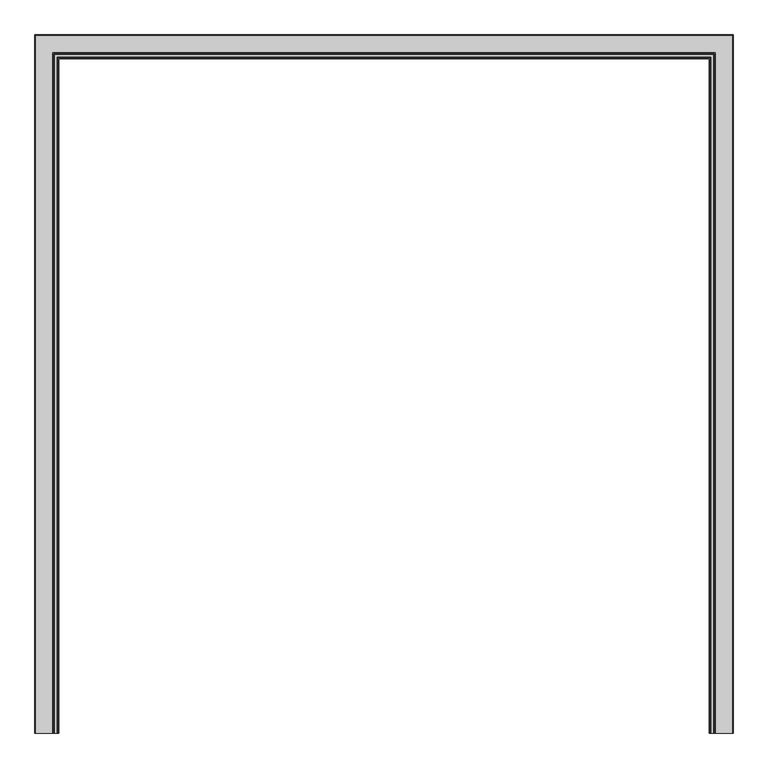
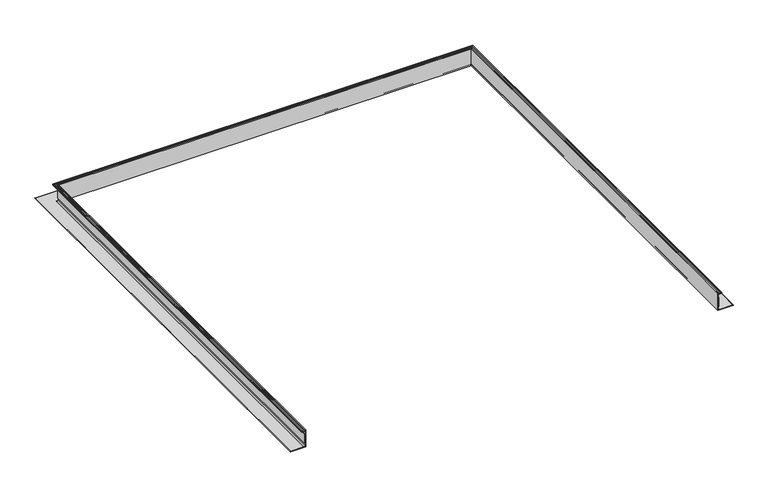
"""IFC4 building model written with IfcOpenShell, lengths in millimetres: fastener geometry."""

from ifc_helpers import new_model, si_unit, frame, origin, place, context, project, spatial, polyline, circle_curve, ellipse_curve, outline, extrude, source, transform, mapped, element, save
from ifc_brep_helpers import plane_surface, cylinder_surface, revolved_surface, advanced_brep


def fastener_ef2ecc8c(model_context):
    return source(origin(), model_context, "Body", "SolidModel", [
        advanced_brep(
        [(-1135.3165, -1219.2, -15.1804688), (-1141.2343456, -1219.2, -15.1804688), (-1141.460117, -1219.2, -17.1999455), (-1140.3710112, -1219.2, -18.2679836), (-1140.8594568, -1219.2, -19.21101), (-1152.5091166, -1219.2, -19.21101), (-1152.9649499, -1219.2, -18.2679836), (-1151.9131963, -1219.2, -17.1999455), (-1152.1178999, -1219.2, -15.1804688), (-1156.2117258, -1219.2, -15.1804688), (-1156.2117258, -1219.2, -21.87801), (-1137.9835, -1219.2, -21.87801), (-1137.9835, -1219.2, -103.8836108), (-1145.5344517, -1219.2, -111.4345625), (-1217.8665, -1219.2, -111.4345625), (-1217.8665, -1219.2, -114.1015625), (-1135.3165, -1219.2, -114.1015625), (1135.3165, -1219.2, -15.1804688), (1135.3165, -1219.2, -114.1015625), (1217.8665, -1219.2, -114.1015625), (1217.8665, -1219.2, -111.4345625), (1145.5344517, -1219.2, -111.4345625), (1137.9835, -1219.2, -103.8836108), (1137.9835, -1219.2, -21.87801), (1156.2117258, -1219.2, -21.87801), (1156.2117258, -1219.2, -15.1804688), (1152.1178999, -1219.2, -15.1804688), (1151.9131963, -1219.2, -17.1999455), (1152.9649499, -1219.2, -18.2679836), (1152.5091166, -1219.2, -19.21101), (1140.8594568, -1219.2, -19.21101), (1140.3710112, -1219.2, -18.2679836), (1141.460117, -1219.2, -17.1999455), (1141.2343456, -1219.2, -15.1804688), (-1141.460117, 1141.460117, -17.1999455), (-1141.2343456, 1141.2343456, -15.1804688), (1141.2343456, 1141.2343456, -15.1804688), (1141.460117, 1141.460117, -17.1999455), (-1140.3710112, 1140.3710112, -18.2679836), (1140.3710112, 1140.3710112, -18.2679836), (-1140.8594568, 1140.8594568, -19.21101), (1140.8594568, 1140.8594568, -19.21101), (-1152.9649499, 1152.9649499, -18.2679836), (-1152.5091166, 1152.5091166, -19.21101), (1152.5091166, 1152.5091166, -19.21101), (1152.9649499, 1152.9649499, -18.2679836), (-1151.9131963, 1151.9131963, -17.1999455), (1151.9131963, 1151.9131963, -17.1999455), (-1152.1178999, 1152.1178999, -15.1804688), (1152.1178999, 1152.1178999, -15.1804688), (-1156.2117258, 1156.2117258, -21.87801), (-1156.2117258, 1156.2117258, -15.1804688), (1156.2117258, 1156.2117258, -15.1804688), (1156.2117258, 1156.2117258, -21.87801), (-1137.9835, 1137.9835, -103.8836108), (-1137.9835, 1137.9835, -21.87801), (1137.9835, 1137.9835, -21.87801), (1137.9835, 1137.9835, -103.8836108), (-1145.5344517, 1145.5344517, -111.4345625), (1145.5344517, 1145.5344517, -111.4345625), (-1217.8665, 1217.8665, -114.1015625), (-1217.8665, 1217.8665, -111.4345625), (1217.8665, 1217.8665, -111.4345625), (1217.8665, 1217.8665, -114.1015625), (-1135.3165, 1135.3165, -15.1804688), (-1135.3165, 1135.3165, -114.1015625), (1135.3165, 1135.3165, -114.1015625), (1135.3165, 1135.3165, -15.1804688)],
        [
            (0, 1),
            (1, 2, circle_curve(frame((-1140.5022273, -1219.2, -16.284676), z_axis=(0.0, -1.0, 0.0), x_axis=(-1.0, 0.0, 0.0)), 1.3248664)),
            (2, 3),
            (3, 4, circle_curve(frame((-1140.8594568, -1219.2, -18.6130003), z_axis=(0.0, 1.0, 0.0), x_axis=(-1.0, 0.0, 0.0)), 0.5980097)),
            (4, 5),
            (5, 6, circle_curve(frame((-1152.5091166, -1219.2, -18.6293281), z_axis=(0.0, 1.0, 0.0), x_axis=(-1.0, 0.0, 0.0)), 0.5816819)),
            (6, 7),
            (7, 8, circle_curve(frame((-1152.8274757, -1219.2, -16.2725079), z_axis=(0.0, -1.0, 0.0), x_axis=(-1.0, 0.0, 0.0)), 1.3023238)),
            (8, 9),
            (9, 10),
            (10, 11),
            (11, 12),
            (12, 13, circle_curve(frame((-1145.5344517, -1219.2, -103.8836108), z_axis=(0.0, 1.0, 0.0), x_axis=(-1.0, 0.0, 0.0)), 7.5509517)),
            (13, 14),
            (14, 15, circle_curve(frame((-1217.8665, -1219.2, -112.7680625), z_axis=(0.0, -1.0, 0.0), x_axis=(-1.0, 0.0, 0.0)), 1.3335)),
            (15, 16),
            (16, 0),
            (17, 18),
            (18, 19),
            (19, 20, circle_curve(frame((1217.8665, -1219.2, -112.7680625), z_axis=(0.0, -1.0, 0.0), x_axis=(1.0, 0.0, 0.0)), 1.3335)),
            (20, 21),
            (21, 22, circle_curve(frame((1145.5344517, -1219.2, -103.8836108), z_axis=(0.0, 1.0, 0.0), x_axis=(1.0, 0.0, 0.0)), 7.5509517)),
            (22, 23),
            (23, 24),
            (24, 25),
            (25, 26),
            (26, 27, circle_curve(frame((1152.8274757, -1219.2, -16.2725079), z_axis=(0.0, -1.0, 0.0), x_axis=(1.0, 0.0, 0.0)), 1.3023238)),
            (27, 28),
            (28, 29, circle_curve(frame((1152.5091166, -1219.2, -18.6293281), z_axis=(0.0, 1.0, 0.0), x_axis=(1.0, 0.0, 0.0)), 0.5816819)),
            (29, 30),
            (30, 31, circle_curve(frame((1140.8594568, -1219.2, -18.6130003), z_axis=(0.0, 1.0, 0.0), x_axis=(1.0, 0.0, 0.0)), 0.5980097)),
            (31, 32),
            (32, 33, circle_curve(frame((1140.5022273, -1219.2, -16.284676), z_axis=(0.0, -1.0, 0.0), x_axis=(1.0, 0.0, 0.0)), 1.3248664)),
            (33, 17),
            (34, 35, ellipse_curve(frame((-1140.5022273, 1140.5022273, -16.284676), z_axis=(0.7071067811865475, 0.7071067811865475, 0.0), x_axis=(-0.7071067811865476, 0.7071067811865474, 0.0)), 1.873644, 1.3248664)),
            (35, 36),
            (36, 37, ellipse_curve(frame((1140.5022273, 1140.5022273, -16.284676), z_axis=(-0.7071067811865475, 0.7071067811865475, 0.0), x_axis=(-0.7071067811865476, -0.7071067811865474, 0.0)), 1.873644, 1.3248664)),
            (37, 34),
            (38, 34),
            (37, 39),
            (39, 38),
            (40, 38, ellipse_curve(frame((-1140.8594568, 1140.8594568, -18.6130003), z_axis=(-0.7071067811865475, -0.7071067811865475, 0.0), x_axis=(0.7071067811865476, -0.7071067811865474, 0.0)), 0.8457134, 0.5980097)),
            (39, 41, ellipse_curve(frame((1140.8594568, 1140.8594568, -18.6130003), z_axis=(0.7071067811865475, -0.7071067811865475, 0.0), x_axis=(0.7071067811865476, 0.7071067811865474, 0.0)), 0.8457134, 0.5980097)),
            (41, 40),
            (42, 43, ellipse_curve(frame((-1152.5091166, 1152.5091166, -18.6293281), z_axis=(-0.7071067811865475, -0.7071067811865475, 0.0), x_axis=(0.7071067811865476, -0.7071067811865474, 0.0)), 0.8226224, 0.5816819)),
            (43, 44),
            (44, 45, ellipse_curve(frame((1152.5091166, 1152.5091166, -18.6293281), z_axis=(0.7071067811865475, -0.7071067811865475, 0.0), x_axis=(0.7071067811865476, 0.7071067811865474, 0.0)), 0.8226224, 0.5816819)),
            (45, 42),
            (46, 42),
            (45, 47),
            (47, 46),
            (48, 46, ellipse_curve(frame((-1152.8274757, 1152.8274757, -16.2725079), z_axis=(0.7071067811865475, 0.7071067811865475, 0.0), x_axis=(-0.7071067811865476, 0.7071067811865474, 0.0)), 1.841764, 1.3023238)),
            (47, 49, ellipse_curve(frame((1152.8274757, 1152.8274757, -16.2725079), z_axis=(-0.7071067811865475, 0.7071067811865475, 0.0), x_axis=(-0.7071067811865476, -0.7071067811865474, 0.0)), 1.841764, 1.3023238)),
            (49, 48),
            (50, 51),
            (51, 52),
            (52, 53),
            (53, 50),
            (54, 55),
            (55, 56),
            (56, 57),
            (57, 54),
            (58, 54, ellipse_curve(frame((-1145.5344517, 1145.5344517, -103.8836108), z_axis=(-0.7071067811865475, -0.7071067811865475, 0.0), x_axis=(0.7071067811865476, -0.7071067811865474, 0.0)), 10.6786583, 7.5509517)),
            (57, 59, ellipse_curve(frame((1145.5344517, 1145.5344517, -103.8836108), z_axis=(0.7071067811865475, -0.7071067811865475, 0.0), x_axis=(0.7071067811865476, 0.7071067811865474, 0.0)), 10.6786583, 7.5509517)),
            (59, 58),
            (60, 61, ellipse_curve(frame((-1217.8665, 1217.8665, -112.7680625), z_axis=(0.7071067811865475, 0.7071067811865475, 0.0), x_axis=(-0.7071067811865476, 0.7071067811865474, 0.0)), 1.8858538, 1.3335)),
            (61, 62),
            (62, 63, ellipse_curve(frame((1217.8665, 1217.8665, -112.7680625), z_axis=(-0.7071067811865475, 0.7071067811865475, 0.0), x_axis=(-0.7071067811865476, -0.7071067811865474, 0.0)), 1.8858538, 1.3335)),
            (63, 60),
            (64, 65),
            (65, 66),
            (66, 67),
            (67, 64),
            (0, 64),
            (67, 17),
            (33, 36),
            (35, 1),
            (34, 2),
            (38, 3),
            (40, 4),
            (41, 30),
            (29, 44),
            (43, 5),
            (42, 6),
            (46, 7),
            (48, 8),
            (49, 26),
            (25, 52),
            (51, 9),
            (50, 10),
            (53, 24),
            (23, 56),
            (55, 11),
            (54, 12),
            (58, 13),
            (59, 21),
            (20, 62),
            (61, 14),
            (60, 15),
            (63, 19),
            (18, 66),
            (65, 16),
            (32, 37),
            (31, 39),
            (28, 45),
            (27, 47),
            (22, 57),
        ],
        [
            plane_surface(frame((-1219.2, -1219.2, 0.0), z_axis=(0.0, -1.0, 0.0), x_axis=(0.0, 0.0, 1.0))),
            plane_surface(frame((1219.2, -1219.2, 0.0), z_axis=(0.0, -1.0, 0.0), x_axis=(0.0, 0.0, 1.0))),
            cylinder_surface(frame((-1219.2, 1140.5022273, -16.284676), z_axis=(-1.0, 0.0, 0.0), x_axis=(0.0, 1.0, 0.0)), 1.3248664),
            plane_surface(frame((-1141.460117, 1141.460117, -17.1999455), z_axis=(0.0, 0.7001674507589581, -0.7139786697778175), x_axis=(1.0, 0.0, 0.0))),
            revolved_surface(polyline([(1141.4574664800805, 1141.4574665, -18.6130003), (-1141.4574664800805, 1141.4574665, -18.6130003)]), (-1219.2, 1140.8594568, -18.6130003), (1.0, 0.0, 0.0)),
            revolved_surface(polyline([(1153.090798477396, 1153.0907985, -18.6293281), (-1153.090798477396, 1153.0907985, -18.6293281)]), (-1219.2, 1152.5091166, -18.6293281), (1.0, 0.0, 0.0)),
            plane_surface(frame((-1152.9649499, 1152.9649499, -18.2679836), z_axis=(0.0, -0.7125178459648982, -0.7016539882175129), x_axis=(1.0, 0.0, 0.0))),
            cylinder_surface(frame((-1219.2, 1152.8274757, -16.2725079), z_axis=(-1.0, 0.0, 0.0), x_axis=(0.0, 1.0, 0.0)), 1.3023238),
            plane_surface(frame((-1156.2117258, 1156.2117258, -15.1804688), z_axis=(0.0, 1.0, 0.0), x_axis=(1.0, 0.0, 0.0))),
            plane_surface(frame((-1137.9835, 1137.9835, -21.87801), z_axis=(0.0, 1.0, 0.0), x_axis=(1.0, 0.0, 0.0))),
            revolved_surface(polyline([(1153.0854033979042, 1153.0854034000001, -103.8836108), (-1153.0854033979042, 1153.0854034000001, -103.8836108)]), (-1219.2, 1145.5344517, -103.8836108), (1.0, 0.0, 0.0)),
            cylinder_surface(frame((-1219.2, 1217.8665, -112.7680625), z_axis=(-1.0, 0.0, 0.0), x_axis=(0.0, 1.0, 0.0)), 1.3335),
            plane_surface(frame((-1135.3165, 1135.3165, -114.1015625), z_axis=(0.0, -1.0, 0.0), x_axis=(1.0, 0.0, 0.0))),
            plane_surface(frame((-1135.3165, -1219.2, -15.1804688), z_axis=(0.0, 0.0, 1.0), x_axis=(0.0, 1.0, 0.0))),
            cylinder_surface(frame((-1140.5022273, -1219.2, -16.284676), z_axis=(0.0, -1.0, 0.0), x_axis=(-1.0, 0.0, 0.0)), 1.3248664),
            plane_surface(frame((-1141.460117, -1219.2, -17.1999455), z_axis=(-0.7001674507589581, 0.0, -0.7139786697778175), x_axis=(0.0, 1.0, 0.0))),
            revolved_surface(polyline([(-1141.4574665, 1141.4574664800805, -18.6130003), (-1141.4574665, -1219.2, -18.6130003)]), (-1140.8594568, -1219.2, -18.6130003), (0.0, 1.0, 0.0)),
            plane_surface(frame((-1140.8594568, -1219.2, -19.21101), z_axis=(0.0, 0.0, 1.0), x_axis=(0.0, 1.0, 0.0))),
            revolved_surface(polyline([(-1153.0907985, 1153.090798477396, -18.6293281), (-1153.0907985, -1219.2, -18.6293281)]), (-1152.5091166, -1219.2, -18.6293281), (0.0, 1.0, 0.0)),
            plane_surface(frame((-1152.9649499, -1219.2, -18.2679836), z_axis=(0.7125178459648982, 0.0, -0.7016539882175129), x_axis=(0.0, 1.0, 0.0))),
            cylinder_surface(frame((-1152.8274757, -1219.2, -16.2725079), z_axis=(0.0, -1.0, 0.0), x_axis=(-1.0, 0.0, 0.0)), 1.3023238),
            plane_surface(frame((-1152.1178999, -1219.2, -15.1804688), z_axis=(0.0, 0.0, 1.0), x_axis=(0.0, 1.0, 0.0))),
            plane_surface(frame((-1156.2117258, -1219.2, -15.1804688), z_axis=(-1.0, 0.0, 0.0), x_axis=(0.0, 1.0, 0.0))),
            plane_surface(frame((-1156.2117258, -1219.2, -21.87801), z_axis=(0.0, 0.0, -1.0), x_axis=(0.0, 1.0, 0.0))),
            plane_surface(frame((-1137.9835, -1219.2, -21.87801), z_axis=(-1.0, 0.0, 0.0), x_axis=(0.0, 1.0, 0.0))),
            revolved_surface(polyline([(-1153.0854034000001, 1153.0854033979042, -103.8836108), (-1153.0854034000001, -1219.2, -103.8836108)]), (-1145.5344517, -1219.2, -103.8836108), (0.0, 1.0, 0.0)),
            plane_surface(frame((-1145.5344517, -1219.2, -111.4345625), z_axis=(0.0, 0.0, 1.0), x_axis=(0.0, 1.0, 0.0))),
            cylinder_surface(frame((-1217.8665, -1219.2, -112.7680625), z_axis=(0.0, -1.0, 0.0), x_axis=(-1.0, 0.0, 0.0)), 1.3335),
            plane_surface(frame((-1217.8665, -1219.2, -114.1015625), z_axis=(0.0, 0.0, -1.0), x_axis=(0.0, 1.0, 0.0))),
            plane_surface(frame((-1135.3165, -1219.2, -114.1015625), z_axis=(1.0, 0.0, 0.0), x_axis=(0.0, 1.0, 0.0))),
            cylinder_surface(frame((1140.5022273, 1219.2, -16.284676), z_axis=(0.0, 1.0, 0.0), x_axis=(1.0, 0.0, 0.0)), 1.3248664),
            plane_surface(frame((1141.460117, 1141.460117, -17.1999455), z_axis=(0.7001674507589581, 0.0, -0.7139786697778175), x_axis=(0.0, -1.0, 0.0))),
            revolved_surface(polyline([(1141.4574665, -1219.2, -18.6130003), (1141.4574665, 1141.4574664800805, -18.6130003)]), (1140.8594568, 1219.2, -18.6130003), (0.0, -1.0, 0.0)),
            revolved_surface(polyline([(1153.0907985, -1219.2, -18.6293281), (1153.0907985, 1153.090798477396, -18.6293281)]), (1152.5091166, 1219.2, -18.6293281), (0.0, -1.0, 0.0)),
            plane_surface(frame((1152.9649499, 1152.9649499, -18.2679836), z_axis=(-0.7125178459648982, 0.0, -0.7016539882175129), x_axis=(0.0, -1.0, 0.0))),
            cylinder_surface(frame((1152.8274757, 1219.2, -16.2725079), z_axis=(0.0, 1.0, 0.0), x_axis=(1.0, 0.0, 0.0)), 1.3023238),
            plane_surface(frame((1156.2117258, 1156.2117258, -15.1804688), z_axis=(1.0, 0.0, 0.0), x_axis=(0.0, -1.0, 0.0))),
            plane_surface(frame((1137.9835, 1137.9835, -21.87801), z_axis=(1.0, 0.0, 0.0), x_axis=(0.0, -1.0, 0.0))),
            revolved_surface(polyline([(1153.0854034000001, -1219.2, -103.8836108), (1153.0854034000001, 1153.0854033979042, -103.8836108)]), (1145.5344517, 1219.2, -103.8836108), (0.0, -1.0, 0.0)),
            cylinder_surface(frame((1217.8665, 1219.2, -112.7680625), z_axis=(0.0, 1.0, 0.0), x_axis=(1.0, 0.0, 0.0)), 1.3335),
            plane_surface(frame((1135.3165, 1135.3165, -114.1015625), z_axis=(-1.0, 0.0, 0.0), x_axis=(0.0, -1.0, 0.0))),
        ],
        [
            (0, [[1, 2, 3, 4, 5, 6, 7, 8, 9, 10, 11, 12, 13, 14, 15, 16, 17]]),
            (1, [[18, 19, 20, 21, 22, 23, 24, 25, 26, 27, 28, 29, 30, 31, 32, 33, 34]]),
            (2, [[35, 36, 37, 38]]),
            (3, [[39, -38, 40, 41]]),
            (4, [[42, -41, 43, 44]]),
            (5, [[45, 46, 47, 48]]),
            (6, [[49, -48, 50, 51]]),
            (7, [[52, -51, 53, 54]]),
            (8, [[55, 56, 57, 58]]),
            (9, [[59, 60, 61, 62]]),
            (10, [[63, -62, 64, 65]]),
            (11, [[66, 67, 68, 69]]),
            (12, [[70, 71, 72, 73]]),
            (13, [[-1, 74, -73, 75, -34, 76, -36, 77]]),
            (14, [[-2, -77, -35, 78]]),
            (15, [[-3, -78, -39, 79]]),
            (16, [[-4, -79, -42, 80]]),
            (17, [[-5, -80, -44, 81, -30, 82, -46, 83]]),
            (18, [[-6, -83, -45, 84]]),
            (19, [[-7, -84, -49, 85]]),
            (20, [[-8, -85, -52, 86]]),
            (21, [[-9, -86, -54, 87, -26, 88, -56, 89]]),
            (22, [[-10, -89, -55, 90]]),
            (23, [[-11, -90, -58, 91, -24, 92, -60, 93]]),
            (24, [[-12, -93, -59, 94]]),
            (25, [[-13, -94, -63, 95]]),
            (26, [[-14, -95, -65, 96, -21, 97, -67, 98]]),
            (27, [[-15, -98, -66, 99]]),
            (28, [[-16, -99, -69, 100, -19, 101, -71, 102]]),
            (29, [[-17, -102, -70, -74]]),
            (30, [[-37, -76, -33, 103]]),
            (31, [[-40, -103, -32, 104]]),
            (32, [[-43, -104, -31, -81]]),
            (33, [[-47, -82, -29, 105]]),
            (34, [[-50, -105, -28, 106]]),
            (35, [[-53, -106, -27, -87]]),
            (36, [[-57, -88, -25, -91]]),
            (37, [[-61, -92, -23, 107]]),
            (38, [[-64, -107, -22, -96]]),
            (39, [[-68, -97, -20, -100]]),
            (40, [[-72, -101, -18, -75]]),
        ],
    ),
        extrude(outline(polyline([(-1137.9835, -1219.2), (-1139.9113319, -1219.2), (-1139.9113319, 1139.9113319), (1139.9113319, 1139.9113319), (1139.9113319, -1219.2), (1137.9835, -1219.2), (1137.9835, 1137.9835), (-1137.9835, 1137.9835), (-1137.9835, -1219.2)])), frame((0.0, 0.0, -92.5710938), z_axis=(0.0, 0.0, 1.0), x_axis=(1.0, 0.0, 0.0)), (0.0, 0.0, 1.0), 53.18125),
    ])


if __name__ == "__main__":
    model = new_model("IFC4")
    model_context = context("Model", 3, world=origin())
    ifc_project = project(units=[si_unit("LENGTHUNIT", "METRE", prefix="MILLI")], contexts=[model_context])
    site = spatial("IfcSite", under=ifc_project)
    building = spatial("IfcBuilding", under=site)
    placement = place(None, origin())
    fastener_shape = fastener_ef2ecc8c(model_context)
    element("IfcFastener", 1, at=placement, inside=building, context=model_context, shape_type="MappedRepresentation", body=[
        mapped(fastener_shape, transform((0.0, 0.0, 0.0), x_axis=(1.0, 0.0, 0.0), y_axis=(0.0, 1.0, 0.0), z_axis=(0.0, 0.0, 1.0))),
    ])
    save(model, "model.ifc")
